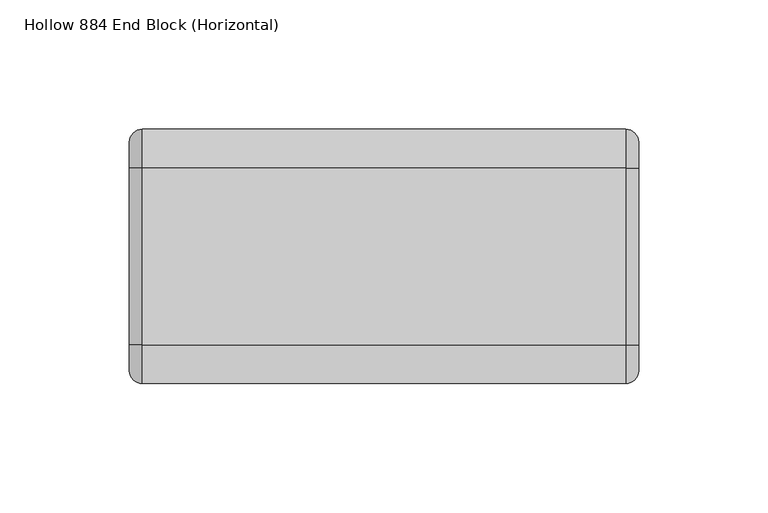
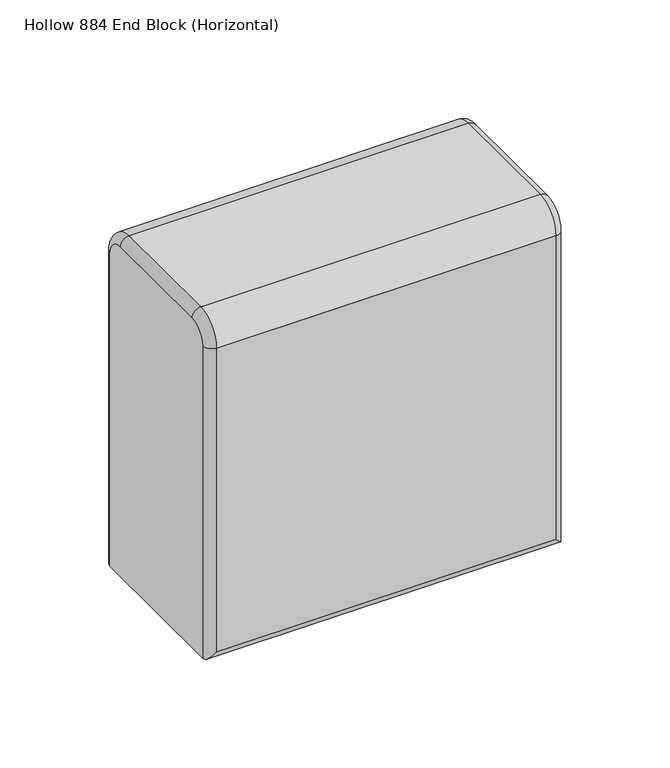
"""IFC4 building model written with IfcOpenShell, lengths in millimetres: plate geometry, Hollow 884 End Block (Horizontal)."""

from ifc_helpers import new_model, si_unit, point, frame, origin, place, context, project, spatial, circle_curve, ellipse_curve, trimmed, source, transform, mapped, element, save
from ifc_brep_helpers import plane_surface, cylinder_surface, revolved_surface, advanced_brep


def hollow_884_end_block_horizontal_f89f31ab(model_context):
    return source(origin(), model_context, "Body", "AdvancedBrep", [
        advanced_brep(
        [(98.425, -44.2, 0.0), (98.425, 44.2, 0.0), (98.425, 44.2, 182.0), (98.425, 34.2, 192.0), (98.425, -34.2, 192.0), (98.425, -44.2, 182.0), (-98.425, 44.2, 0.0), (-98.425, -44.2, 0.0), (-98.425, -44.2, 182.0), (-98.425, -34.2, 192.0), (-98.425, 34.2, 192.0), (-98.425, 44.2, 182.0), (93.4250045, -49.2, 182.0), (-93.425, -49.2, 182.0), (-93.425, -49.2, 5.0), (93.425, -49.2, 5.0), (-93.4250045, 49.2, 182.0), (93.425, 49.2, 182.0), (93.425, 49.2, 5.0), (-93.425, 49.2, 5.0), (93.4250045, 34.2, 197.0), (-93.425, 34.2, 197.0), (-93.425, -34.2, 197.0), (93.425, -34.2, 197.0)],
        [
            (0, 1),
            (1, 2),
            (2, 3, circle_curve(frame((98.425, 34.2, 182.0), z_axis=(1.0, 0.0, 0.0), x_axis=(0.0, 1.0, 0.0)), 10.0)),
            (3, 4),
            (4, 5, circle_curve(frame((98.425, -34.2, 182.0), z_axis=(1.0, 0.0, 0.0), x_axis=(0.0, 0.0, 1.0)), 10.0)),
            (5, 0),
            (6, 7),
            (7, 8),
            (8, 9, circle_curve(frame((-98.425, -34.2, 182.0), z_axis=(-1.0, 0.0, 0.0), x_axis=(0.0, -1.0, 0.0)), 10.0)),
            (9, 10),
            (10, 11, circle_curve(frame((-98.425, 34.2, 182.0), z_axis=(-1.0, 0.0, 0.0), x_axis=(0.0, 0.0, 1.0)), 10.0)),
            (11, 6),
            (12, 13),
            (13, 14),
            (14, 15),
            (15, 12),
            (0, 7),
            (6, 1),
            (16, 17),
            (17, 18),
            (18, 19),
            (19, 16),
            (20, 21),
            (21, 22),
            (22, 23),
            (23, 20),
            (12, 23, circle_curve(frame((93.425, -34.2, 182.0), z_axis=(-1.0, 0.0, 0.0), x_axis=(0.0, 1.0, 0.0)), 15.0)),
            (22, 13, circle_curve(frame((-93.425, -34.2, 182.0), z_axis=(1.0, 0.0, 0.0), x_axis=(0.0, 1.0, 0.0)), 15.0)),
            (20, 17, circle_curve(frame((93.425, 34.2, 182.0), z_axis=(-1.0, 0.0, 0.0), x_axis=(0.0, 1.0, 0.0)), 15.0)),
            (16, 21, circle_curve(frame((-93.425, 34.2, 182.0), z_axis=(1.0, 0.0, 0.0), x_axis=(0.0, 1.0, 0.0)), 15.0)),
            (14, 7, ellipse_curve(frame((-93.425, -44.2, 5.0), z_axis=(0.7071067811865475, 0.0, -0.7071067811865475), x_axis=(-0.7071067811865476, 0.0, -0.7071067811865474)), 7.0710678, 5.0)),
            (0, 15, ellipse_curve(frame((93.425, -44.2, 5.0), z_axis=(-0.7071067811865475, 0.0, -0.7071067811865475), x_axis=(-0.7071067811865476, 0.0, 0.7071067811865474)), 7.0710678, 5.0)),
            (13, 8, circle_curve(frame((-93.425, -44.2, 182.0), z_axis=(0.0, 0.0, -1.0), x_axis=(-1.0, 0.0, 0.0)), 5.0)),
            (22, 9, circle_curve(frame((-93.425, -34.2, 192.0), z_axis=(0.0, -1.0, 0.0), x_axis=(-1.0, 0.0, 0.0)), 5.0)),
            (21, 10, circle_curve(frame((-93.425, 34.2, 192.0), z_axis=(0.0, -1.0, 0.0), x_axis=(-1.0, 0.0, 0.0)), 5.0)),
            (16, 11, circle_curve(frame((-93.425, 44.2, 182.0), z_axis=(0.0, 0.0, 1.0), x_axis=(-1.0, 0.0, 0.0)), 5.0)),
            (19, 6, ellipse_curve(frame((-93.425, 44.2, 5.0), z_axis=(-0.7071067811865475, 0.0, 0.7071067811865475), x_axis=(-0.7071067811865474, 0.0, -0.7071067811865476)), 7.0710678, 5.0)),
            (18, 1, ellipse_curve(frame((93.425, 44.2, 5.0), z_axis=(-0.7071067811865475, 0.0, -0.7071067811865475), x_axis=(0.7071067811865476, 0.0, -0.7071067811865474)), 7.0710678, 5.0)),
            (17, 2, circle_curve(frame((93.425, 44.2, 182.0), z_axis=(0.0, 0.0, -1.0), x_axis=(1.0, 0.0, 0.0)), 5.0)),
            (20, 3, circle_curve(frame((93.425, 34.2, 192.0), z_axis=(0.0, 1.0, 0.0), x_axis=(1.0, 0.0, 0.0)), 5.0)),
            (23, 4, circle_curve(frame((93.425, -34.2, 192.0), z_axis=(0.0, 1.0, 0.0), x_axis=(1.0, 0.0, 0.0)), 5.0)),
            (12, 5, circle_curve(frame((93.425, -44.2, 182.0), z_axis=(0.0, 0.0, 1.0), x_axis=(1.0, 0.0, 0.0)), 5.0)),
        ],
        [
            plane_surface(frame((98.425, -19.2, 182.0), z_axis=(1.0, 0.0, 0.0), x_axis=(0.0, 0.0, 1.0))),
            plane_surface(frame((-98.425, -19.2, 182.0), z_axis=(-1.0, 0.0, 0.0), x_axis=(0.0, 0.0, -1.0))),
            plane_surface(frame((98.425, -49.2, 182.0), z_axis=(0.0, -1.0, 0.0), x_axis=(-1.0, 0.0, 0.0))),
            plane_surface(frame((98.425, -49.2, 0.0), z_axis=(0.0, 0.0, -1.0), x_axis=(-1.0, 0.0, 0.0))),
            plane_surface(frame((98.425, 49.2, 0.0), z_axis=(0.0, 1.0, 0.0), x_axis=(-1.0, 0.0, 0.0))),
            plane_surface(frame((98.425, 34.2, 197.0), z_axis=(0.0, 0.0, 1.0), x_axis=(-1.0, 0.0, 0.0))),
            cylinder_surface(frame((-98.425, -34.2, 182.0), z_axis=(1.0, 0.0, 0.0), x_axis=(0.0, 1.0, 0.0)), 15.0),
            cylinder_surface(frame((-98.425, 34.2, 182.0), z_axis=(1.0, 0.0, 0.0), x_axis=(0.0, 1.0, 0.0)), 15.0),
            cylinder_surface(frame((98.425, -44.2, 5.0), z_axis=(-1.0, 0.0, 0.0), x_axis=(0.0, 0.0, -1.0)), 5.0),
            cylinder_surface(frame((-93.425, -44.2, 0.0), z_axis=(0.0, 0.0, 1.0), x_axis=(-1.0, 0.0, 0.0)), 5.0),
            revolved_surface(trimmed(ellipse_curve(frame((-93.425, -44.2, 182.0), z_axis=(0.0, 0.0, -1.0), x_axis=(-1.0, 0.0, 0.0)), 5.0, 5.0), [point((-93.425, -49.2, 182.0))], [point((-98.425, -44.2, 182.0))], True, "CARTESIAN"), (-98.425, -34.2, 182.0), (-1.0, 0.0, 0.0)),
            cylinder_surface(frame((-93.425, -34.2, 192.0), z_axis=(0.0, 1.0, 0.0), x_axis=(-1.0, 0.0, 0.0)), 5.0),
            revolved_surface(trimmed(ellipse_curve(frame((-93.425, 34.2, 192.0), z_axis=(0.0, -1.0, 0.0), x_axis=(-1.0, 0.0, 0.0)), 5.0, 5.0), [point((-93.425, 34.2, 197.0))], [point((-98.425, 34.2, 192.0))], True, "CARTESIAN"), (-98.425, 34.2, 182.0), (-1.0, 0.0, 0.0)),
            cylinder_surface(frame((-93.425, 44.2, 182.0), z_axis=(0.0, 0.0, -1.0), x_axis=(-1.0, 0.0, 0.0)), 5.0),
            cylinder_surface(frame((-98.425, 44.2, 5.0), z_axis=(1.0, 0.0, 0.0), x_axis=(0.0, 0.0, -1.0)), 5.0),
            cylinder_surface(frame((93.425, 44.2, 0.0), z_axis=(0.0, 0.0, 1.0), x_axis=(1.0, 0.0, 0.0)), 5.0),
            revolved_surface(trimmed(ellipse_curve(frame((93.425, 44.2, 182.0), z_axis=(0.0, 0.0, -1.0), x_axis=(1.0, 0.0, 0.0)), 5.0, 5.0), [point((93.425, 49.2, 182.0))], [point((98.425, 44.2, 182.0))], True, "CARTESIAN"), (98.425, 34.2, 182.0), (1.0, 0.0, 0.0)),
            cylinder_surface(frame((93.425, 34.2, 192.0), z_axis=(0.0, -1.0, 0.0), x_axis=(1.0, 0.0, 0.0)), 5.0),
            revolved_surface(trimmed(ellipse_curve(frame((93.425, -34.2, 192.0), z_axis=(0.0, 1.0, 0.0), x_axis=(1.0, 0.0, 0.0)), 5.0, 5.0), [point((93.425, -34.2, 197.0))], [point((98.425, -34.2, 192.0))], True, "CARTESIAN"), (98.425, -34.2, 182.0), (1.0, 0.0, 0.0)),
            cylinder_surface(frame((93.425, -44.2, 182.0), z_axis=(0.0, 0.0, -1.0), x_axis=(1.0, 0.0, 0.0)), 5.0),
        ],
        [
            (0, [[1, 2, 3, 4, 5, 6]]),
            (1, [[7, 8, 9, 10, 11, 12]]),
            (2, [[13, 14, 15, 16]]),
            (3, [[-1, 17, -7, 18]]),
            (4, [[19, 20, 21, 22]]),
            (5, [[23, 24, 25, 26]]),
            (6, [[-13, 27, -25, 28]]),
            (7, [[-23, 29, -19, 30]]),
            (8, [[31, -17, 32, -15]]),
            (9, [[-31, -14, 33, -8]]),
            (10, [[-33, -28, 34, -9]]),
            (11, [[-34, -24, 35, -10]]),
            (12, [[-35, -30, 36, -11]]),
            (13, [[-36, -22, 37, -12]]),
            (14, [[-37, -21, 38, -18]]),
            (15, [[-38, -20, 39, -2]]),
            (16, [[-39, -29, 40, -3]]),
            (17, [[-40, -26, 41, -4]]),
            (18, [[-41, -27, 42, -5]]),
            (19, [[-32, -6, -42, -16]]),
        ],
    ),
    ])


if __name__ == "__main__":
    model = new_model("IFC4")
    model_context = context("Model", 3, world=origin())
    ifc_project = project(units=[si_unit("LENGTHUNIT", "METRE", prefix="MILLI")], contexts=[model_context])
    site = spatial("IfcSite", under=ifc_project)
    building = spatial("IfcBuilding", under=site)
    placement = place(None, origin())
    hollow_884_end_block_horizontal_shape = hollow_884_end_block_horizontal_f89f31ab(model_context)
    element("IfcPlate", 1, ObjectType="Hollow 884 End Block (Horizontal)", at=placement, inside=building, context=model_context, shape_type="MappedRepresentation", body=[
        mapped(hollow_884_end_block_horizontal_shape, transform((0.0, 0.0, 0.0), x_axis=(1.0, 0.0, 0.0), y_axis=(0.0, 1.0, 0.0), z_axis=(0.0, 0.0, 1.0))),
    ])
    save(model, "model.ifc")
